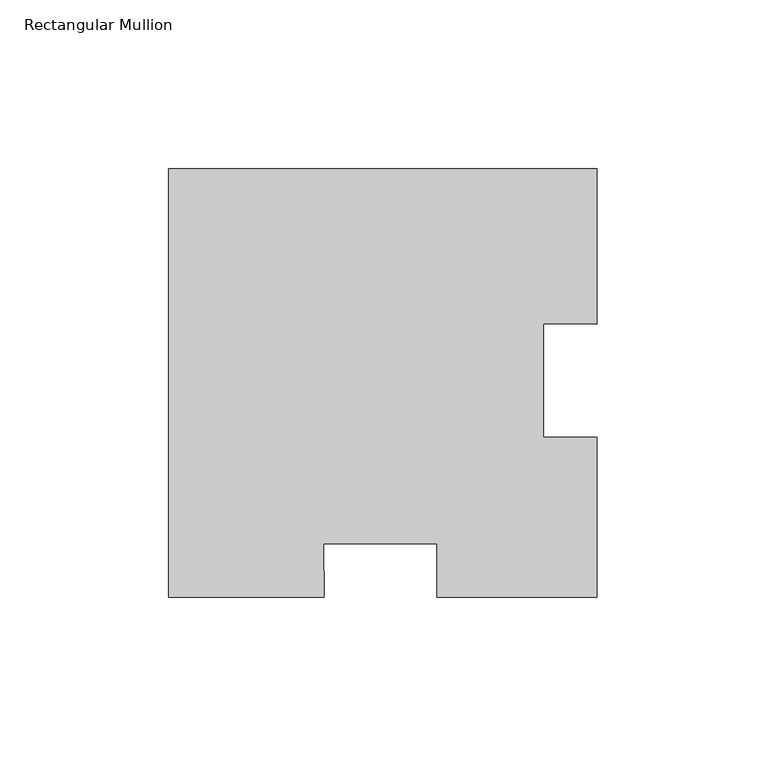
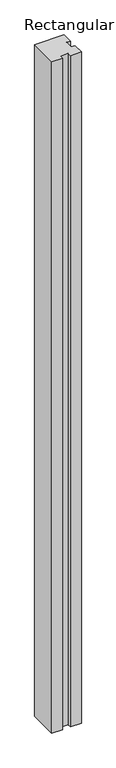
"""IFC4 building model written with IfcOpenShell, lengths in millimetres: member geometry, Rectangular Mullion."""

from ifc_helpers import new_model, si_unit, frame, origin, place, context, project, spatial, polyline, outline, extrude, source, transform, mapped, element, save


def rectangular_mullion_756b3554(model_context):
    return source(origin(), model_context, "Body", "SweptSolid", [
        extrude(outline(polyline([(-80.8908185, -63.5), (-127.0, -63.5), (-127.0, 63.5), (0.0, 63.5), (0.0, 17.3908185), (-15.875, 17.5848677), (-15.875, -16.0406112), (0.0, -16.0406112), (0.0, -63.5), (-47.4593888, -63.5), (-47.4593888, -47.625), (-81.0848677, -47.625), (-80.8908185, -63.5)])), frame((0.0, 0.0, -3048.0), z_axis=(0.0, 0.0, 1.0), x_axis=(1.0, 0.0, 0.0)), (0.0, 0.0, 1.0), 3048.0),
    ])


if __name__ == "__main__":
    model = new_model("IFC4")
    model_context = context("Model", 3, world=origin())
    ifc_project = project(units=[si_unit("LENGTHUNIT", "METRE", prefix="MILLI")], contexts=[model_context])
    site = spatial("IfcSite", under=ifc_project)
    building = spatial("IfcBuilding", under=site)
    placement = place(None, origin())
    rectangular_mullion_shape = rectangular_mullion_756b3554(model_context)
    element("IfcMember", 1, ObjectType="Rectangular Mullion", at=placement, inside=building, context=model_context, shape_type="MappedRepresentation", body=[
        mapped(rectangular_mullion_shape, transform((0.0, 0.0, 0.0), x_axis=(1.0, 0.0, 0.0), y_axis=(0.0, 1.0, 0.0), z_axis=(0.0, 0.0, 1.0))),
    ])
    save(model, "model.ifc")
